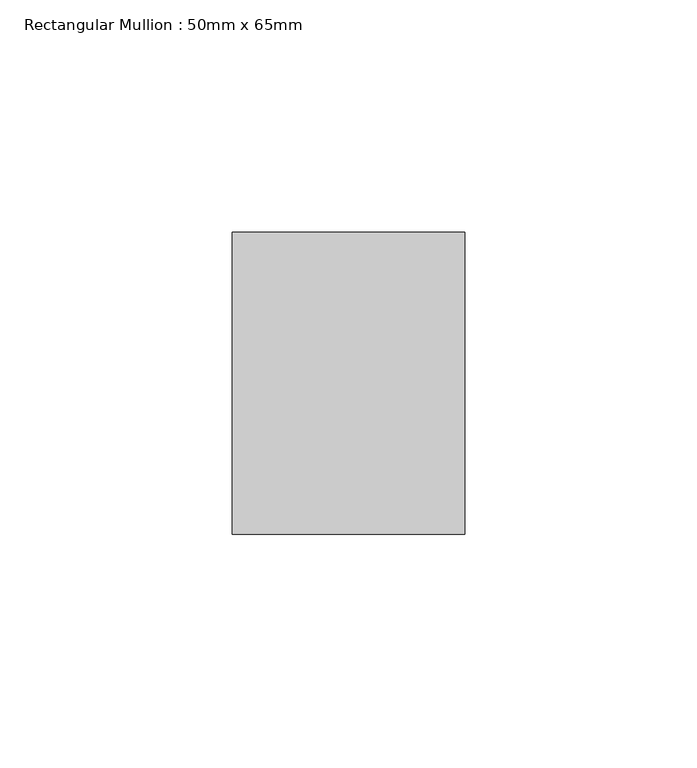
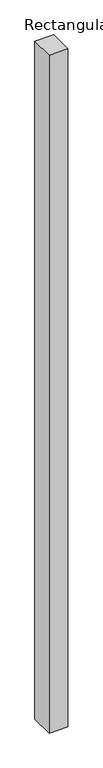
"""IFC4 building model written with IfcOpenShell, lengths in millimetres: member geometry, Rectangular Mullion : 50mm x 65mm."""

from ifc_helpers import new_model, si_unit, frame, origin, place, context, project, spatial, polyline, outline, extrude, source, transform, mapped, element, save


def rectangular_mullion_50mm_x_65mm_5dbbe904(model_context):
    return source(origin(), model_context, "Body", "SweptSolid", [
        extrude(outline(polyline([(25.0, 32.5), (25.0, -32.5), (-25.0, -32.5), (-25.0, 32.5), (25.0, 32.5)])), frame((0.0, 0.0, -1897.7008863), z_axis=(0.0, 0.0, 1.0), x_axis=(1.0, 0.0, 0.0)), (0.0, 0.0, 1.0), 1897.7008863),
    ])


if __name__ == "__main__":
    model = new_model("IFC4")
    model_context = context("Model", 3, world=origin())
    ifc_project = project(units=[si_unit("LENGTHUNIT", "METRE", prefix="MILLI")], contexts=[model_context])
    site = spatial("IfcSite", under=ifc_project)
    building = spatial("IfcBuilding", under=site)
    placement = place(None, origin())
    rectangular_mullion_50mm_x_65mm_shape = rectangular_mullion_50mm_x_65mm_5dbbe904(model_context)
    element("IfcMember", 1, ObjectType="Rectangular Mullion : 50mm x 65mm", at=placement, inside=building, context=model_context, shape_type="MappedRepresentation", body=[
        mapped(rectangular_mullion_50mm_x_65mm_shape, transform((0.0, 0.0, 0.0), x_axis=(1.0, 0.0, 0.0), y_axis=(0.0, 1.0, 0.0), z_axis=(0.0, 0.0, 1.0))),
    ])
    save(model, "model.ifc")
